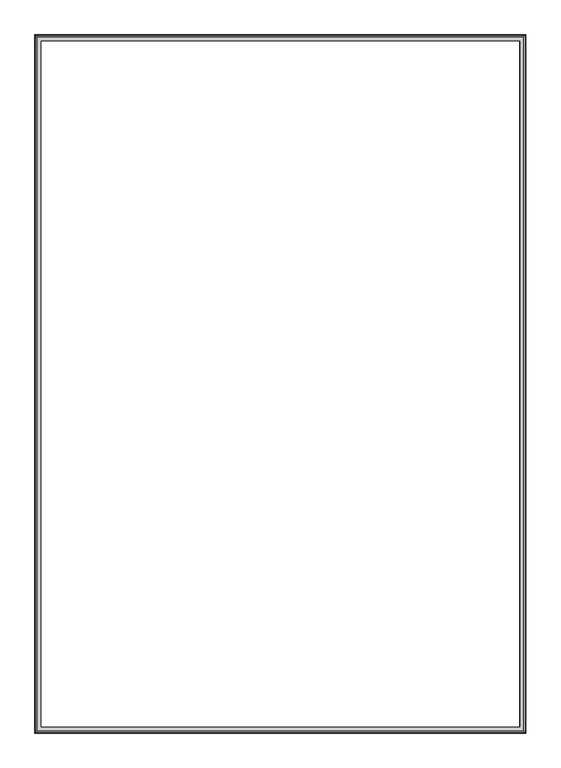
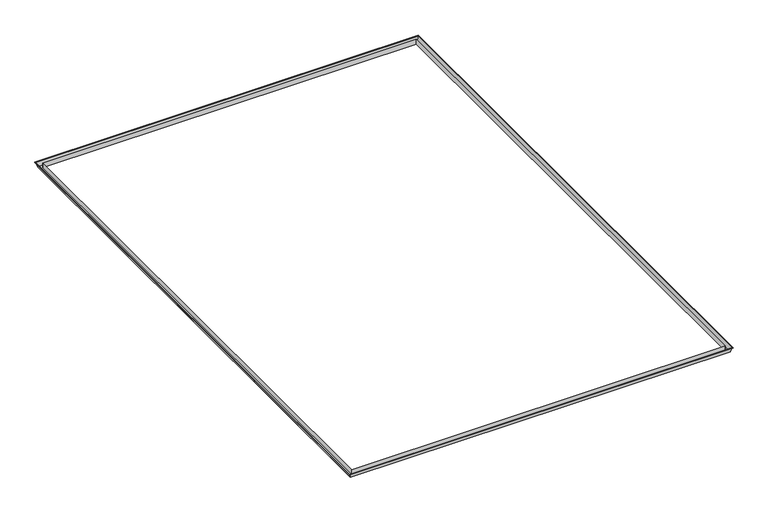
"""IFC4 building model written with IfcOpenShell, lengths in millimetres: proxy geometry."""

import ifcopenshell
import ifcopenshell.guid

model = None  # the IFC model being written
_history = None  # IfcOwnerHistory: only IFC2X3 demands one
_inside = {}  # id of a spatial element -> (the spatial element, [elements in it])
_under = {}  # id of a project, library or spatial element -> (it, [spatial elements below it])
_declared = {}  # id of a project -> (the project, [libraries it declares])
_typed = {}  # id of a type object -> (the type object, [elements of that type])
_made_of = {}  # id of a material, layer set ... -> (it, [elements and type objects made of it])


def new_model(schema):
    """Start an empty IFC model of exactly this schema.

    Asked for "IFC4X3", IfcOpenShell would pick the latest addendum, in which some entities
    have other attributes; the version numbers below select the first issue.
    IFC2X3 requires an IfcOwnerHistory on every rooted entity: one is made here for all.
    """
    global model, _history
    if schema == "IFC4X3":
        model = ifcopenshell.file(schema_version=(4, 3, 0, 0))
    else:
        model = ifcopenshell.file(schema=schema)
    _inside.clear()
    _under.clear()
    _declared.clear()
    _typed.clear()
    _made_of.clear()
    _history = None
    if model.schema == "IFC2X3":
        org = make("IfcOrganization", Name="unknown")
        user = make(
            "IfcPersonAndOrganization",
            ThePerson=make("IfcPerson", FamilyName="unknown"),
            TheOrganization=org,
        )
        app = make(
            "IfcApplication",
            ApplicationDeveloper=org,
            Version="unknown",
            ApplicationFullName="unknown",
            ApplicationIdentifier="unknown",
        )
        _history = make(
            "IfcOwnerHistory",
            OwningUser=user,
            OwningApplication=app,
            ChangeAction="ADDED",
            CreationDate=0,
        )
    return model


def make(cls, **values):
    """One entity of the class cls with the attributes given. An attribute that is None is left unset."""
    return model.create_entity(
        cls, **{name: value for name, value in values.items() if value is not None}
    )


def rooted(cls, **values):
    """An entity with a GlobalId (a new one), such as an element, a storey or a relation."""
    return make(cls, GlobalId=ifcopenshell.guid.new(), OwnerHistory=_history, **values)


def si_unit(unit_type, name, prefix=None):
    """IfcSIUnit, for example si_unit("LENGTHUNIT", "METRE", prefix="MILLI")."""
    return make("IfcSIUnit", UnitType=unit_type, Prefix=prefix, Name=name)


def assignment(units):
    """IfcUnitAssignment: the units of a project."""
    return None if units is None else make("IfcUnitAssignment", Units=units)


def point(xyz):
    """IfcCartesianPoint."""
    return None if xyz is None else make("IfcCartesianPoint", Coordinates=xyz)


def direction(xyz):
    """IfcDirection."""
    return None if xyz is None else make("IfcDirection", DirectionRatios=xyz)


def frame(location, z_axis=None, x_axis=None):
    """IfcAxis2Placement3D, a coordinate frame: its origin and axes. An axis left out is left unset."""
    return make(
        "IfcAxis2Placement3D",
        Location=point(location),
        Axis=direction(z_axis),
        RefDirection=direction(x_axis),
    )


def origin():
    """The frame at (0, 0, 0) with its axes left unset."""
    return frame((0.0, 0.0, 0.0))


def place(relative_to, where):
    """IfcLocalPlacement: puts the frame where relative to a parent placement (None: the world)."""
    return make(
        "IfcLocalPlacement", PlacementRelTo=relative_to, RelativePlacement=where
    )


def context(
    kind, dimensions, precision=None, world=None, true_north=None, identifier=None
):
    """IfcGeometricRepresentationContext, for example the 3D "Model" context."""
    return make(
        "IfcGeometricRepresentationContext",
        ContextIdentifier=identifier,
        ContextType=kind,
        CoordinateSpaceDimension=dimensions,
        Precision=precision,
        WorldCoordinateSystem=world,
        TrueNorth=true_north,
    )


def project(units=None, contexts=None):
    """IfcProject with its units and contexts."""
    return rooted(
        "IfcProject",
        Name="project",
        RepresentationContexts=contexts,
        UnitsInContext=assignment(units),
    )


def spatial(cls, under=None, at=None, **own):
    """A site, building, storey or space (cls), placed at a placement, below another one or the project."""
    s = rooted(cls, ObjectPlacement=at, **own)
    if under is not None:
        _under.setdefault(under.id(), (under, []))[1].append(s)
    return s


def faces_of(points, faces, orient=None, outer=None):
    """IfcFace entities. A face is a list of loops; a loop is a list of indices into points, from 0.

    orient and outer hold one flag for each loop. By default every Orientation is true, the
    first loop of a face is its IfcFaceOuterBound and the others are IfcFaceBound.
    """
    made = []
    for i, loops in enumerate(faces):
        bounds = []
        for j, loop in enumerate(loops):
            is_outer = j == 0 if outer is None else outer[i][j]
            bounds.append(
                make(
                    "IfcFaceOuterBound" if is_outer else "IfcFaceBound",
                    Bound=make("IfcPolyLoop", Polygon=[points[k] for k in loop]),
                    Orientation=True if orient is None else orient[i][j],
                )
            )
        made.append(make("IfcFace", Bounds=bounds))
    return made


def faceted_brep(points, faces, orient=None, outer=None, voids=None):
    """IfcFacetedBrep: a solid bounded by flat faces; with voids (closed shells), ...WithVoids."""
    shared = [point(p) for p in points]
    hull = make("IfcClosedShell", CfsFaces=faces_of(shared, faces, orient, outer))
    if voids is None:
        return make("IfcFacetedBrep", Outer=hull)
    return make(
        "IfcFacetedBrepWithVoids",
        Outer=hull,
        Voids=[
            make(cls, CfsFaces=faces_of(shared, fs, o, b)) for cls, fs, o, b in voids
        ],
    )


def shape(context_of_items, identifier, shape_type, items):
    """IfcShapeRepresentation: the items that make up one representation, for example the "Body"."""
    return make(
        "IfcShapeRepresentation",
        ContextOfItems=context_of_items,
        RepresentationIdentifier=identifier,
        RepresentationType=shape_type,
        Items=items,
    )


def source(mapping_origin, context_of_items, identifier, shape_type, items):
    """IfcRepresentationMap: a shape defined once, which mapped items show again and again."""
    return make(
        "IfcRepresentationMap",
        MappingOrigin=mapping_origin,
        MappedRepresentation=shape(context_of_items, identifier, shape_type, items),
    )


def transform(
    local_origin,
    x_axis=None,
    y_axis=None,
    z_axis=None,
    scale=None,
    scale2=None,
    scale3=None,
    uniform=True,
):
    """IfcCartesianTransformationOperator3D, or its non-uniform kind. x_axis, y_axis, z_axis: its Axis1, 2, 3."""
    if uniform:
        return make(
            "IfcCartesianTransformationOperator3D",
            Axis1=direction(x_axis),
            Axis2=direction(y_axis),
            LocalOrigin=point(local_origin),
            Scale=scale,
            Axis3=direction(z_axis),
        )
    return make(
        "IfcCartesianTransformationOperator3DnonUniform",
        Axis1=direction(x_axis),
        Axis2=direction(y_axis),
        LocalOrigin=point(local_origin),
        Scale=scale,
        Axis3=direction(z_axis),
        Scale2=scale2,
        Scale3=scale3,
    )


def mapped(mapping_source, mapping_target):
    """IfcMappedItem: shows the shape of a source again, moved by a transform."""
    return make(
        "IfcMappedItem", MappingSource=mapping_source, MappingTarget=mapping_target
    )


def made_of(thing, what):
    """Note that an element or type object is made of a material, layer set ...; save() writes the relation."""
    if what is not None:
        _made_of.setdefault(what.id(), (what, []))[1].append(thing)
    return thing


def element(
    cls,
    number,
    at=None,
    inside=None,
    cuts=None,
    type_object=None,
    material=None,
    context=None,
    identifier="Body",
    shape_type=None,
    held_by="IfcProductDefinitionShape",
    body=None,
    shapes=None,
    **own,
):
    """One element of the class cls, such as IfcWall. Its Tag is "e" and its number.

    at: its placement. inside: the storey or other place that contains it. cuts: it is an
    opening in that element (IfcRelVoidsElement). A single representation is given by context,
    identifier, shape_type and body (its items); several are given by shapes. held_by: the class
    of the entity that holds the representations. save() writes the other relations.
    """
    e = rooted(cls, Tag="e%d" % number, ObjectPlacement=at, **own)
    if body is not None:
        shapes = [shape(context, identifier, shape_type, body)]
    if shapes is not None:
        e.Representation = make(held_by, Representations=shapes)
    if inside is not None:
        _inside.setdefault(inside.id(), (inside, []))[1].append(e)
    if cuts is not None:
        rooted(
            "IfcRelVoidsElement", RelatingBuildingElement=cuts, RelatedOpeningElement=e
        )
    if type_object is not None:
        _typed.setdefault(type_object.id(), (type_object, []))[1].append(e)
    return made_of(e, material)


def aggregate(whole, parts):
    """IfcRelAggregates: a whole, such as a stair, and the parts it consists of."""
    return rooted("IfcRelAggregates", RelatingObject=whole, RelatedObjects=parts)


def save(model, path):
    """Write the relations noted so far, then the file.

    IfcRelAggregates (storeys below a building ...), IfcRelContainedInSpatialStructure (elements
    in a storey), IfcRelDefinesByType, IfcRelAssociatesMaterial and IfcRelDeclares: one each for
    every whole, place, type object, material and project.
    """
    for whole, parts in _under.values():
        aggregate(whole, parts)
    for where, things in _inside.values():
        rooted(
            "IfcRelContainedInSpatialStructure",
            RelatedElements=things,
            RelatingStructure=where,
        )
    for kind, things in _typed.values():
        rooted("IfcRelDefinesByType", RelatedObjects=things, RelatingType=kind)
    for what, things in _made_of.values():
        rooted("IfcRelAssociatesMaterial", RelatedObjects=things, RelatingMaterial=what)
    for by, libraries in _declared.values():
        rooted("IfcRelDeclares", RelatingContext=by, RelatedDefinitions=libraries)
    model.write(path)


def generic_models_68269640(model_context):
    return source(origin(), model_context, "Body", "Brep", [
        faceted_brep([(-232034.5260772, -50440.7133797, 9501.2997038), (-231996.4260772, -50402.6133797, 9376.7874713), (-220750.0260772, -50402.6133797, 9376.7874713), (-220711.9260772, -50440.7133797, 9501.2997038), (-232047.2260772, -50453.4133797, 9513.9997038), (-232047.2260772, -50453.4133797, 9501.2997038), (-220699.2260772, -50453.4133797, 9501.2997038), (-220699.2260772, -50453.4133797, 9513.9997038), (-232034.5260772, -50440.7133797, 9510.8247038), (-232034.5260772, -50440.7133797, 9513.9997038), (-220711.9260772, -50440.7133797, 9513.9997038), (-220711.9260772, -50440.7133797, 9510.8247038), (-232044.0510772, -50450.2383797, 9504.4747038), (-232044.0510772, -50450.2383797, 9510.8247038), (-220702.4010772, -50450.2383797, 9510.8247038), (-220702.4010772, -50450.2383797, 9504.4747038), (-231994.0637799, -50400.2510823, 9379.9624713), (-232032.1637799, -50438.3510823, 9504.4747038), (-220714.2883746, -50438.3510823, 9504.4747038), (-220752.3883746, -50400.2510823, 9379.9624713), (-231900.4010772, -50306.5883797, 9526.6997038), (-231900.4010772, -50306.5883797, 9379.9624713), (-220846.0510772, -50306.5883797, 9379.9624713), (-220846.0510772, -50306.5883797, 9526.6997038), (-231897.2260772, -50303.4133797, 9376.7874713), (-231897.2260772, -50303.4133797, 9526.6997038), (-220849.2260772, -50303.4133797, 9526.6997038), (-220849.2260772, -50303.4133797, 9376.7874713), (-220750.0260772, -34366.7133797, 9376.7874713), (-220711.9260772, -34328.6133797, 9501.2997038), (-220699.2260772, -34315.9133797, 9501.2997038), (-220699.2260772, -34315.9133797, 9513.9997038), (-220711.9260772, -34328.6133797, 9513.9997038), (-220711.9260772, -34328.6133797, 9510.8247038), (-220702.4010772, -34319.0883797, 9510.8247038), (-220702.4010772, -34319.0883797, 9504.4747038), (-220714.2883746, -34330.975677, 9504.4747038), (-220752.3883746, -34369.075677, 9379.9624713), (-220846.0510772, -34462.7383797, 9379.9624713), (-220846.0510772, -34462.7383797, 9526.6997038), (-220849.2260772, -34465.9133797, 9526.6997038), (-220849.2260772, -34465.9133797, 9376.7874713), (-231996.4260772, -34366.7133797, 9376.7874713), (-232034.5260772, -34328.6133797, 9501.2997038), (-232047.2260772, -34315.9133797, 9501.2997038), (-232047.2260772, -34315.9133797, 9513.9997038), (-232034.5260772, -34328.6133797, 9513.9997038), (-232034.5260772, -34328.6133797, 9510.8247038), (-232044.0510772, -34319.0883797, 9510.8247038), (-232044.0510772, -34319.0883797, 9504.4747038), (-232032.1637799, -34330.975677, 9504.4747038), (-231994.0637799, -34369.075677, 9379.9624713), (-231900.4010772, -34462.7383797, 9379.9624713), (-231900.4010772, -34462.7383797, 9526.6997038), (-231897.2260772, -34465.9133797, 9526.6997038), (-231897.2260772, -34465.9133797, 9376.7874713)], [[[0, 1, 2, 3]], [[4, 5, 6, 7]], [[8, 9, 10, 11]], [[12, 13, 14, 15]], [[16, 17, 18, 19]], [[20, 21, 22, 23]], [[24, 25, 26, 27]], [[3, 2, 28, 29]], [[7, 6, 30, 31]], [[11, 10, 32, 33]], [[15, 14, 34, 35]], [[19, 18, 36, 37]], [[23, 22, 38, 39]], [[27, 26, 40, 41]], [[29, 28, 42, 43]], [[31, 30, 44, 45]], [[33, 32, 46, 47]], [[35, 34, 48, 49]], [[37, 36, 50, 51]], [[39, 38, 52, 53]], [[41, 40, 54, 55]], [[1, 42, 28, 2], [27, 41, 55, 24]], [[43, 42, 1, 0]], [[5, 44, 30, 6], [3, 29, 43, 0]], [[45, 44, 5, 4]], [[7, 31, 45, 4], [9, 46, 32, 10]], [[47, 46, 9, 8]], [[13, 48, 34, 14], [11, 33, 47, 8]], [[49, 48, 13, 12]], [[15, 35, 49, 12], [17, 50, 36, 18]], [[51, 50, 17, 16]], [[19, 37, 51, 16], [21, 52, 38, 22]], [[53, 52, 21, 20]], [[23, 39, 53, 20], [25, 54, 40, 26]], [[55, 54, 25, 24]]]),
    ])


if __name__ == "__main__":
    model = new_model("IFC4")
    model_context = context("Model", 3, world=origin())
    ifc_project = project(units=[si_unit("LENGTHUNIT", "METRE", prefix="MILLI")], contexts=[model_context])
    site = spatial("IfcSite", under=ifc_project)
    building = spatial("IfcBuilding", under=site)
    placement = place(None, origin())
    generic_models_shape = generic_models_68269640(model_context)
    element("IfcBuildingElementProxy", 1, Name="Generic Models", at=placement, inside=building, context=model_context, shape_type="MappedRepresentation", body=[
        mapped(generic_models_shape, transform((0.0, 0.0, 0.0), x_axis=(1.0, 0.0, 0.0), y_axis=(0.0, 1.0, 0.0), z_axis=(0.0, 0.0, 1.0))),
    ])
    save(model, "model.ifc")
